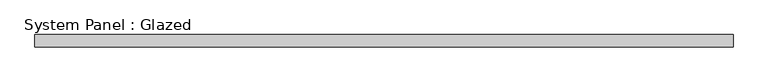
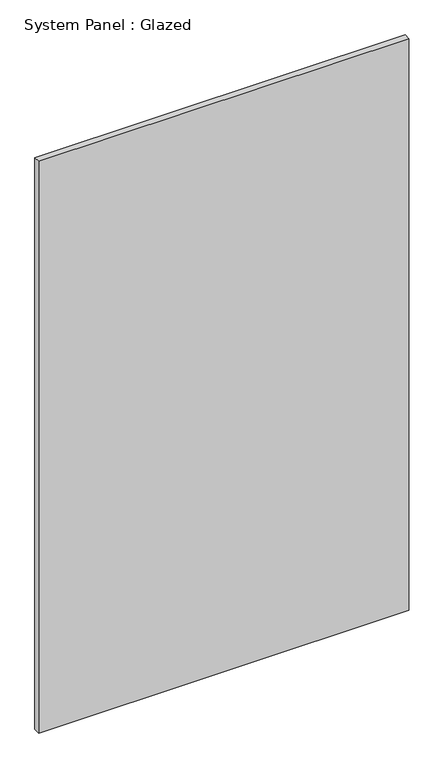
"""IFC4 building model written with IfcOpenShell, lengths in millimetres: plate geometry, System Panel : Glazed."""

from ifc_helpers import new_model, si_unit, origin, origin_with_axes, place, context, project, spatial, polyline, outline, extrude, source, transform, mapped, element, save


def system_panel_glazed_e350fe68(model_context):
    return source(origin(), model_context, "Body", "SweptSolid", [
        extrude(outline(polyline([(711.8421053, 24.5), (-711.8421053, 24.5), (-711.8421053, 49.5), (711.8421053, 49.5), (711.8421053, 24.5)])), origin_with_axes(), (0.0, 0.0, 1.0), 2325.0),
    ])


if __name__ == "__main__":
    model = new_model("IFC4")
    model_context = context("Model", 3, world=origin())
    ifc_project = project(units=[si_unit("LENGTHUNIT", "METRE", prefix="MILLI")], contexts=[model_context])
    site = spatial("IfcSite", under=ifc_project)
    building = spatial("IfcBuilding", under=site)
    placement = place(None, origin())
    system_panel_glazed_shape = system_panel_glazed_e350fe68(model_context)
    element("IfcPlate", 1, ObjectType="System Panel : Glazed", at=placement, inside=building, context=model_context, shape_type="MappedRepresentation", body=[
        mapped(system_panel_glazed_shape, transform((0.0, 0.0, 0.0), x_axis=(1.0, 0.0, 0.0), y_axis=(0.0, 1.0, 0.0), z_axis=(0.0, 0.0, 1.0))),
    ])
    save(model, "model.ifc")
